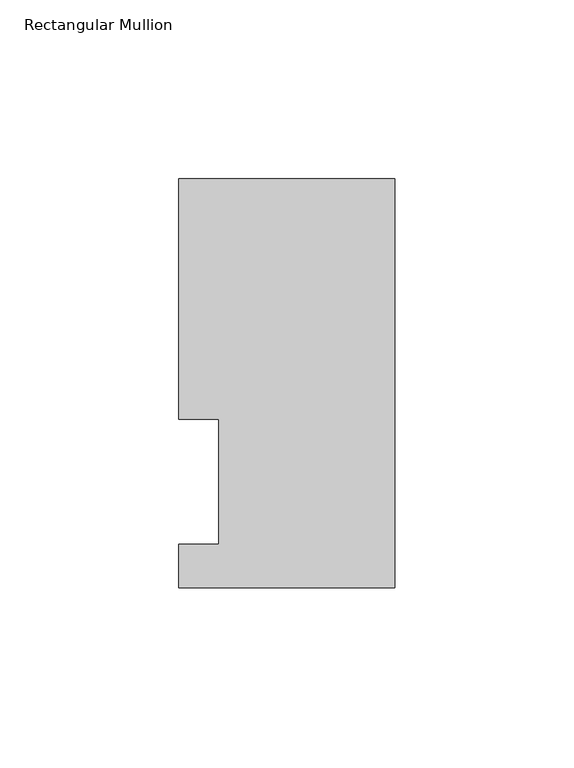
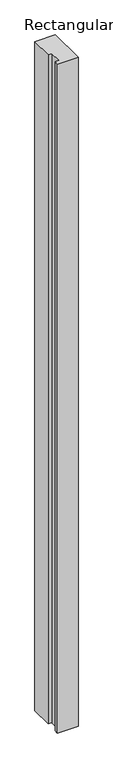
"""IFC4 building model written with IfcOpenShell, lengths in millimetres: member geometry, Rectangular Mullion."""

from ifc_helpers import new_model, si_unit, frame, origin, place, context, project, spatial, polyline, outline, extrude, source, transform, mapped, element, save


def rectangular_mullion_ed2eebee(model_context):
    return source(origin(), model_context, "Body", "SweptSolid", [
        extrude(outline(polyline([(0.0, 114.252375), (0.0, -0.047625), (-60.325, -0.047625), (-60.325, 12.144375), (-49.2125, 12.144375), (-49.2125, 47.069375), (-60.325, 47.069375), (-60.325, 114.252375), (0.0, 114.252375)])), frame((0.0, 0.0, -2073.275), z_axis=(0.0, 0.0, 1.0), x_axis=(1.0, 0.0, 0.0)), (0.0, 0.0, 1.0), 2073.275),
    ])


if __name__ == "__main__":
    model = new_model("IFC4")
    model_context = context("Model", 3, world=origin())
    ifc_project = project(units=[si_unit("LENGTHUNIT", "METRE", prefix="MILLI")], contexts=[model_context])
    site = spatial("IfcSite", under=ifc_project)
    building = spatial("IfcBuilding", under=site)
    placement = place(None, origin())
    rectangular_mullion_shape = rectangular_mullion_ed2eebee(model_context)
    element("IfcMember", 1, ObjectType="Rectangular Mullion", at=placement, inside=building, context=model_context, shape_type="MappedRepresentation", body=[
        mapped(rectangular_mullion_shape, transform((0.0, 0.0, 0.0), x_axis=(1.0, 0.0, 0.0), y_axis=(0.0, 1.0, 0.0), z_axis=(0.0, 0.0, 1.0))),
    ])
    save(model, "model.ifc")
